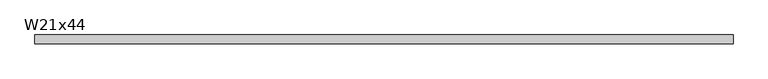
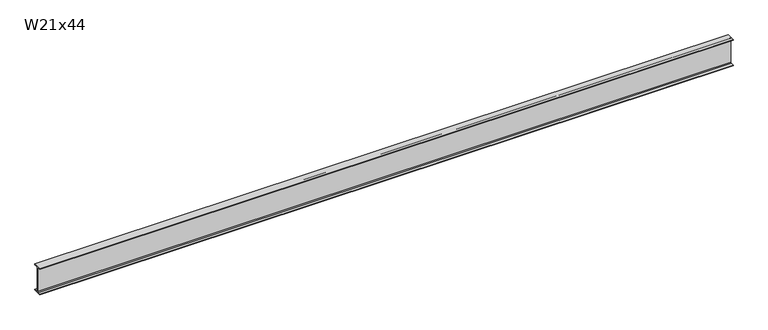
"""IFC4 building model written with IfcOpenShell, lengths in millimetres: beam geometry, W21x44."""

from ifc_helpers import new_model, si_unit, point, frame, frame_2d, origin, place, context, project, spatial, polyline, circle_curve, trimmed, segment, composite_curve, outline, extrude, source, transform, mapped, element, save


def w21x44_146b6ea9(model_context):
    return source(origin(), model_context, "Body", "SweptSolid", [
        extrude(outline(composite_curve([segment(polyline([(82.55, -251.46), (82.55, -262.89), (-82.55, -262.89), (-82.55, -251.46), (-21.59, -251.46)]), True, "CONTINUOUS"), segment(trimmed(circle_curve(frame_2d((-21.59, -234.315)), 17.145), [point((-21.59, -251.46))], [point((-4.445, -234.315))], True, "CARTESIAN"), True, "CONTINUOUS"), segment(polyline([(-4.445, -234.315), (-4.445, 234.315)]), True, "CONTINUOUS"), segment(trimmed(circle_curve(frame_2d((-21.59, 234.315)), 17.145), [point((-4.445, 234.315))], [point((-21.59, 251.46))], True, "CARTESIAN"), True, "CONTINUOUS"), segment(polyline([(-21.59, 251.46), (-82.55, 251.46), (-82.55, 262.89), (82.55, 262.89), (82.55, 251.46), (21.59, 251.46)]), True, "CONTINUOUS"), segment(trimmed(circle_curve(frame_2d((21.59, 234.315)), 17.145), [point((21.59, 251.46))], [point((4.445, 234.315))], True, "CARTESIAN"), True, "CONTINUOUS"), segment(polyline([(4.445, 234.315), (4.445, -234.315)]), True, "CONTINUOUS"), segment(trimmed(circle_curve(frame_2d((21.59, -234.315)), 17.145), [point((4.445, -234.315))], [point((21.59, -251.46))], True, "CARTESIAN"), True, "CONTINUOUS"), segment(polyline([(21.59, -251.46), (82.55, -251.46)]), True, "CONTINUOUS")], self_intersect=False)), frame((-6576.3871646, 0.0, 0.0), z_axis=(1.0, 0.0, 0.0), x_axis=(0.0, 1.0, 0.0)), (0.0, 0.0, 1.0), 13258.3253415),
    ])


if __name__ == "__main__":
    model = new_model("IFC4")
    model_context = context("Model", 3, world=origin())
    ifc_project = project(units=[si_unit("LENGTHUNIT", "METRE", prefix="MILLI")], contexts=[model_context])
    site = spatial("IfcSite", under=ifc_project)
    building = spatial("IfcBuilding", under=site)
    placement = place(None, origin())
    w21x44_shape = w21x44_146b6ea9(model_context)
    element("IfcBeam", 1, ObjectType="W21x44", at=placement, inside=building, context=model_context, shape_type="MappedRepresentation", body=[
        mapped(w21x44_shape, transform((0.0, 0.0, 0.0), x_axis=(1.0, 0.0, 0.0), y_axis=(0.0, 1.0, 0.0), z_axis=(0.0, 0.0, 1.0))),
    ])
    save(model, "model.ifc")
